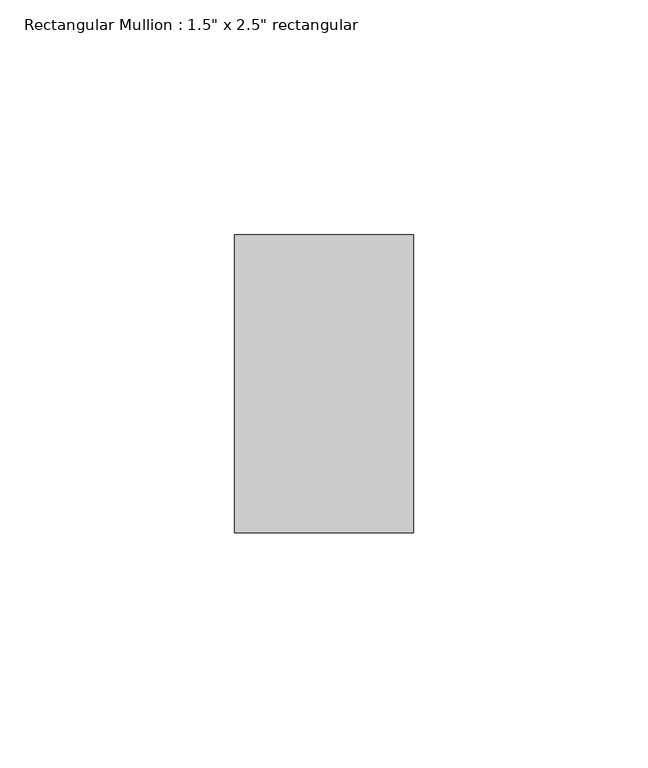
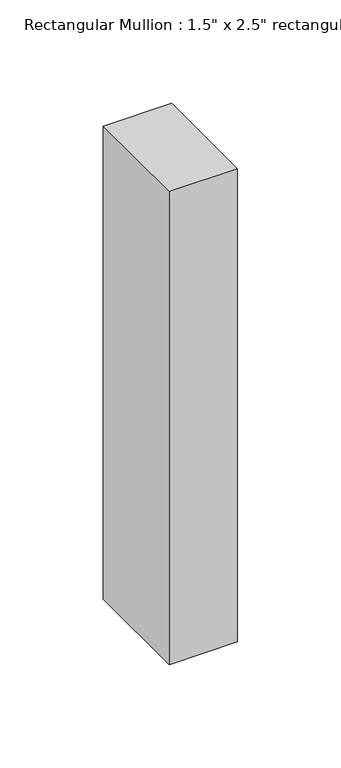
"""IFC4 building model written with IfcOpenShell, lengths in millimetres: member geometry."""

from ifc_helpers import new_model, si_unit, frame, origin, place, context, project, spatial, polyline, outline, extrude, source, transform, mapped, element, save


def member_4fadf199(model_context):
    return source(origin(), model_context, "Body", "SweptSolid", [
        extrude(outline(polyline([(19.05, 31.75), (19.05, -31.75), (-19.05, -31.75), (-19.05, 31.75), (19.05, 31.75)])), frame((0.0, 0.0, -279.4), z_axis=(0.0, 0.0, 1.0), x_axis=(1.0, 0.0, 0.0)), (0.0, 0.0, 1.0), 279.4),
    ])


if __name__ == "__main__":
    model = new_model("IFC4")
    model_context = context("Model", 3, world=origin())
    ifc_project = project(units=[si_unit("LENGTHUNIT", "METRE", prefix="MILLI")], contexts=[model_context])
    site = spatial("IfcSite", under=ifc_project)
    building = spatial("IfcBuilding", under=site)
    placement = place(None, origin())
    member_shape = member_4fadf199(model_context)
    element("IfcMember", 1, ObjectType="Rectangular Mullion : 1.5\" x 2.5\" rectangular", at=placement, inside=building, context=model_context, shape_type="MappedRepresentation", body=[
        mapped(member_shape, transform((0.0, 0.0, 0.0), x_axis=(1.0, 0.0, 0.0), y_axis=(0.0, 1.0, 0.0), z_axis=(0.0, 0.0, 1.0))),
    ])
    save(model, "model.ifc")
